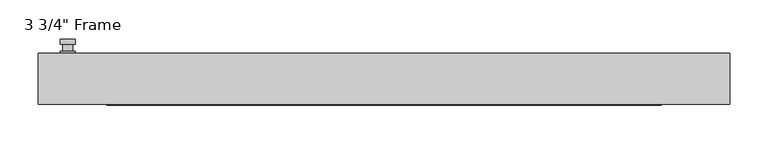
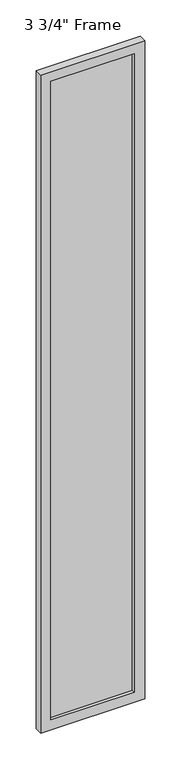
"""IFC4 building model written with IfcOpenShell, lengths in millimetres: plate geometry."""

from ifc_helpers import new_model, si_unit, frame, origin, place, context, project, spatial, polyline, circle_curve, outline, extrude, faceted_brep, source, transform, mapped, element, save
from ifc_brep_helpers import plane_surface, cylinder_surface, advanced_brep


def plate_2735300e(model_context):
    return source(origin(), model_context, "Body", "SolidModel", [
        advanced_brep(
        [(-401.6375, 33.3375, 927.1), (-420.6875, 33.3375, 927.1), (-420.6875, 33.3375, 901.7), (-401.6375, 33.3375, 901.7), (-404.8125, 46.0375, 914.4), (-404.8125, 36.5125, 914.4), (-417.5125, 36.5125, 914.4), (-417.5125, 46.0375, 914.4), (-401.6375, 46.0375, 914.4), (-420.6875, 46.0375, 914.4), (-417.5084644, 46.0375, 825.2736467), (-404.8165356, 46.0375, 825.2736467), (-401.6375, 52.3875, 914.4), (-404.8165356, 52.3875, 825.2736467), (-417.5084644, 52.3875, 825.2736467), (-420.6875, 52.3875, 914.4), (-401.6375, 36.5125, 927.1), (-401.6375, 36.5125, 901.7), (-420.6875, 36.5125, 901.7), (-420.6875, 36.5125, 927.1)],
        [
            (0, 1, circle_curve(frame((-411.1625, 33.3375, 927.1), z_axis=(0.0, -1.0, 0.0), x_axis=(-1.0, 0.0, 0.0)), 9.525)),
            (1, 2),
            (2, 3, circle_curve(frame((-411.1625, 33.3375, 901.7), z_axis=(0.0, -1.0, 0.0), x_axis=(-1.0, 0.0, 0.0)), 9.525)),
            (3, 0),
            (4, 5),
            (5, 6, circle_curve(frame((-411.1625, 36.5125, 914.4), z_axis=(0.0, 1.0, 0.0), x_axis=(-1.0, 0.0, 0.0)), 6.35)),
            (6, 7),
            (7, 4, circle_curve(frame((-411.1625, 46.0375, 914.4), z_axis=(0.0, -1.0, 0.0), x_axis=(-1.0, 0.0, 0.0)), 6.35)),
            (6, 5, circle_curve(frame((-411.1625, 36.5125, 914.4), z_axis=(0.0, 1.0, 0.0), x_axis=(-1.0, 0.0, 0.0)), 6.35)),
            (4, 7, circle_curve(frame((-411.1625, 46.0375, 914.4), z_axis=(0.0, -1.0, 0.0), x_axis=(-1.0, 0.0, 0.0)), 6.35)),
            (8, 9, circle_curve(frame((-411.1625, 46.0375, 914.4), z_axis=(0.0, -1.0, 0.0), x_axis=(-1.0, 0.0, 0.0)), 9.525)),
            (9, 10),
            (10, 11, circle_curve(frame((-411.1625, 46.0375, 825.5), z_axis=(0.0, -1.0, 0.0), x_axis=(-1.0, 0.0, 0.0)), 6.35)),
            (11, 8),
            (12, 13),
            (13, 14, circle_curve(frame((-411.1625, 52.3875, 825.5), z_axis=(0.0, 1.0, 0.0), x_axis=(-1.0, 0.0, 0.0)), 6.35)),
            (14, 15),
            (15, 12, circle_curve(frame((-411.1625, 52.3875, 914.4), z_axis=(0.0, 1.0, 0.0), x_axis=(-1.0, 0.0, 0.0)), 9.525)),
            (11, 13),
            (12, 8),
            (10, 14),
            (9, 15),
            (16, 17),
            (17, 18, circle_curve(frame((-411.1625, 36.5125, 901.7), z_axis=(0.0, 1.0, 0.0), x_axis=(-1.0, 0.0, 0.0)), 9.525)),
            (18, 19),
            (19, 16, circle_curve(frame((-411.1625, 36.5125, 927.1), z_axis=(0.0, 1.0, 0.0), x_axis=(-1.0, 0.0, 0.0)), 9.525)),
            (3, 17),
            (16, 0),
            (2, 18),
            (1, 19),
        ],
        [
            plane_surface(frame((-417.5125, 33.3375, 914.4), z_axis=(0.0, -1.0, 0.0), x_axis=(0.0, 0.0, 1.0))),
            cylinder_surface(frame((-411.1625, 46.0375, 914.4), z_axis=(0.0, -1.0, 0.0), x_axis=(-1.0, 0.0, 0.0)), 6.35),
            plane_surface(frame((-401.6375, 46.0375, 914.4), z_axis=(0.0, -1.0000000000000002, 0.0), x_axis=(-0.03564619348186888, 0.0, -0.9993644724975235))),
            plane_surface(frame((-401.6375, 52.3875, 914.4), z_axis=(0.0, 1.0000000000000002, 0.0), x_axis=(0.03564619348186888, 0.0, 0.9993644724975235))),
            plane_surface(frame((-401.6375, 46.0375, 914.4), z_axis=(0.9993644724975235, 0.0, -0.03564619348186888), x_axis=(0.0, 1.0, 0.0))),
            cylinder_surface(frame((-411.1625, 52.3875, 825.5), z_axis=(0.0, -1.0, 0.0), x_axis=(-1.0, 0.0, 0.0)), 6.35),
            plane_surface(frame((-417.5084644, 46.0375, 825.2736467), z_axis=(-0.9993644724975228, 0.0, -0.03564619348188612), x_axis=(0.0, 1.0, 0.0))),
            cylinder_surface(frame((-411.1625, 52.3875, 914.4), z_axis=(0.0, -1.0, 0.0), x_axis=(-1.0, 0.0, 0.0)), 9.525),
            plane_surface(frame((-401.6375, 36.5125, 901.7), z_axis=(0.0, 1.0, 0.0), x_axis=(0.0, 0.0, 1.0))),
            plane_surface(frame((-401.6375, 33.3375, 927.1), z_axis=(1.0, 0.0, 0.0), x_axis=(0.0, 1.0, 0.0))),
            cylinder_surface(frame((-411.1625, 36.5125, 901.7), z_axis=(0.0, -1.0, 0.0), x_axis=(-1.0, 0.0, 0.0)), 9.525),
            plane_surface(frame((-420.6875, 33.3375, 901.7), z_axis=(-1.0, 0.0, 0.0), x_axis=(0.0, 1.0, 0.0))),
            cylinder_surface(frame((-411.1625, 36.5125, 927.1), z_axis=(0.0, -1.0, 0.0), x_axis=(-1.0, 0.0, 0.0)), 9.525),
        ],
        [
            (0, [[1, 2, 3, 4]]),
            (1, [[5, 6, 7, 8]]),
            (1, [[-7, 9, -5, 10]]),
            (2, [[11, 12, 13, 14], [-10, -8]]),
            (3, [[15, 16, 17, 18]]),
            (4, [[19, -15, 20, -14]]),
            (5, [[21, -16, -19, -13]]),
            (6, [[22, -17, -21, -12]]),
            (7, [[-20, -18, -22, -11]]),
            (8, [[23, 24, 25, 26], [-9, -6]]),
            (9, [[27, -23, 28, -4]]),
            (10, [[29, -24, -27, -3]]),
            (11, [[30, -25, -29, -2]]),
            (12, [[-28, -26, -30, -1]]),
        ],
    ),
        faceted_brep([(-449.2625, 33.3375, 0.0), (449.2625, 33.3375, 0.0), (449.2625, -33.3375, 0.0), (-449.2625, -33.3375, 0.0), (-449.2625, 33.3375, 6010.275), (449.2625, 33.3375, 6010.275), (-360.3625, 33.3375, 5921.375), (-360.3625, 33.3375, 88.9), (360.3625, 33.3375, 88.9), (360.3625, 33.3375, 5921.375), (-449.2625, -33.3375, 6010.275), (449.2625, -33.3375, 6010.275), (-360.3625, -33.3375, 5921.375), (360.3625, -33.3375, 5921.375), (360.3625, -33.3375, 88.9), (-360.3625, -33.3375, 88.9), (-354.0125, -11.90625, 95.25), (-354.0125, -11.90625, 5915.025), (366.7125, -11.90625, 5927.725), (366.7125, -11.90625, 82.55), (-366.7125, -11.90625, 82.55), (-366.7125, -11.90625, 5927.725), (354.0125, -11.90625, 95.25), (354.0125, -11.90625, 5915.025), (-366.7125, 11.90625, 82.55), (-366.7125, 11.90625, 5927.725), (366.7125, 11.90625, 82.55), (366.7125, 11.90625, 5927.725), (-354.0125, 11.90625, 5915.025), (354.0125, 11.90625, 5915.025), (354.0125, 11.90625, 95.25), (-354.0125, 11.90625, 95.25)], [[[0, 1, 2, 3]], [[0, 4, 5, 1], [6, 7, 8, 9]], [[3, 10, 4, 0]], [[2, 11, 10, 3], [12, 13, 14, 15]], [[12, 15, 16, 17]], [[18, 19, 20, 21], [17, 16, 22, 23]], [[20, 24, 25, 21]], [[25, 24, 26, 27], [28, 29, 30, 31]], [[28, 31, 7, 6]], [[4, 10, 11, 5]], [[12, 17, 23, 13]], [[21, 25, 27, 18]], [[9, 29, 28, 6]], [[5, 11, 2, 1]], [[23, 22, 14, 13]], [[26, 19, 18, 27]], [[9, 8, 30, 29]], [[7, 31, 30, 8]], [[19, 26, 24, 20]], [[16, 15, 14, 22]]]),
        extrude(outline(polyline([(366.7125, 11.90625), (366.7125, -11.90625), (-366.7125, -11.90625), (-366.7125, 11.90625), (366.7125, 11.90625)])), frame((0.0, 0.0, 82.55), z_axis=(0.0, 0.0, 1.0), x_axis=(1.0, 0.0, 0.0)), (0.0, 0.0, 1.0), 5845.175),
    ])


if __name__ == "__main__":
    model = new_model("IFC4")
    model_context = context("Model", 3, world=origin())
    ifc_project = project(units=[si_unit("LENGTHUNIT", "METRE", prefix="MILLI")], contexts=[model_context])
    site = spatial("IfcSite", under=ifc_project)
    building = spatial("IfcBuilding", under=site)
    placement = place(None, origin())
    plate_shape = plate_2735300e(model_context)
    element("IfcPlate", 1, ObjectType="3 3/4\" Frame", at=placement, inside=building, context=model_context, shape_type="MappedRepresentation", body=[
        mapped(plate_shape, transform((0.0, 0.0, 0.0), x_axis=(1.0, 0.0, 0.0), y_axis=(0.0, 1.0, 0.0), z_axis=(0.0, 0.0, 1.0))),
    ])
    save(model, "model.ifc")
